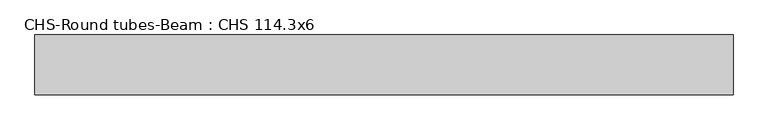
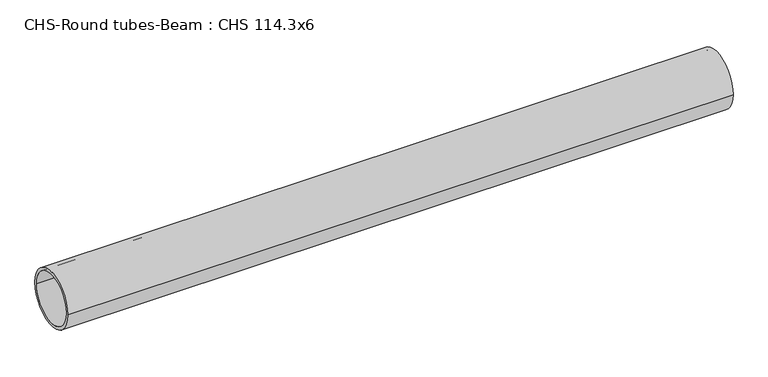
"""IFC4 building model written with IfcOpenShell, lengths in millimetres: beam geometry, CHS-Round tubes-Beam : CHS 114.3x6."""

from ifc_helpers import new_model, si_unit, point, frame, origin, origin_2d, place, context, project, spatial, circle_curve, trimmed, segment, composite_curve, outline, extrude, source, transform, mapped, element, save


def chs_round_tubes_beam_chs_114_3x6_1ae0188f(model_context):
    return source(origin(), model_context, "Body", "SweptSolid", [
        extrude(outline(composite_curve([segment(trimmed(circle_curve(origin_2d(), 57.15), [point((57.15, 0.0))], [point((-57.15, 0.0))], False, "CARTESIAN"), True, "CONTINUOUS"), segment(trimmed(circle_curve(origin_2d(), 57.15), [point((-57.15, 0.0))], [point((57.15, 0.0))], False, "CARTESIAN"), True, "CONTINUOUS")], self_intersect=False), holes=[composite_curve([segment(trimmed(circle_curve(origin_2d(), 51.15), [point((51.15, 0.0))], [point((-51.15, 0.0))], True, "CARTESIAN"), True, "CONTINUOUS"), segment(trimmed(circle_curve(origin_2d(), 51.15), [point((-51.15, 0.0))], [point((51.15, 0.0))], True, "CARTESIAN"), True, "CONTINUOUS")], self_intersect=False)]), frame((-705.5971737, 0.0, 0.0), z_axis=(1.0, 0.0, 0.0), x_axis=(0.0, 1.0, 0.0)), (0.0, 0.0, 1.0), 1333.1844981),
    ])


if __name__ == "__main__":
    model = new_model("IFC4")
    model_context = context("Model", 3, world=origin())
    ifc_project = project(units=[si_unit("LENGTHUNIT", "METRE", prefix="MILLI")], contexts=[model_context])
    site = spatial("IfcSite", under=ifc_project)
    building = spatial("IfcBuilding", under=site)
    placement = place(None, origin())
    chs_round_tubes_beam_chs_114_3x6_shape = chs_round_tubes_beam_chs_114_3x6_1ae0188f(model_context)
    element("IfcBeam", 1, ObjectType="CHS-Round tubes-Beam : CHS 114.3x6", at=placement, inside=building, context=model_context, shape_type="MappedRepresentation", body=[
        mapped(chs_round_tubes_beam_chs_114_3x6_shape, transform((0.0, 0.0, 0.0), x_axis=(1.0, 0.0, 0.0), y_axis=(0.0, 1.0, 0.0), z_axis=(0.0, 0.0, 1.0))),
    ])
    save(model, "model.ifc")
